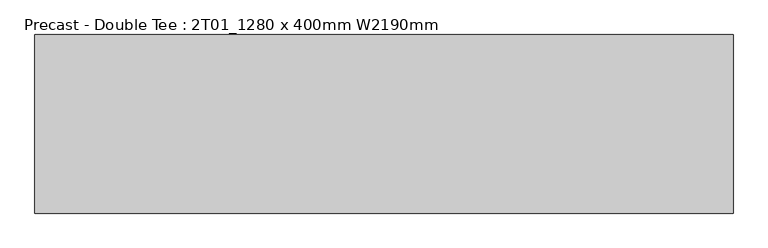
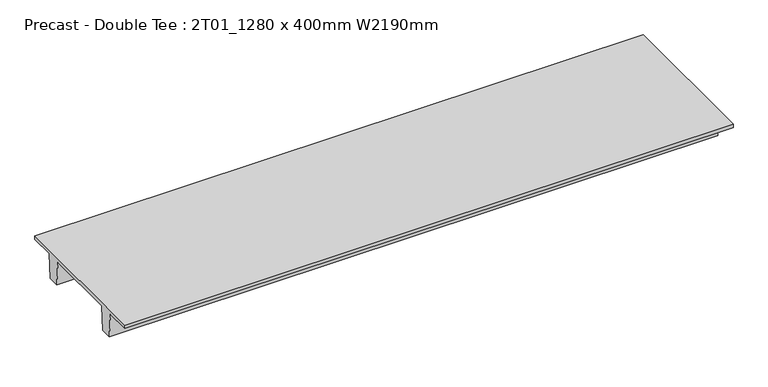
"""IFC4 building model written with IfcOpenShell, lengths in millimetres: beam geometry, Precast - Double Tee : 2T01_1280 x 400mm W2190mm."""

import ifcopenshell
import ifcopenshell.guid

model = None  # the IFC model being written
_history = None  # IfcOwnerHistory: only IFC2X3 demands one
_inside = {}  # id of a spatial element -> (the spatial element, [elements in it])
_under = {}  # id of a project, library or spatial element -> (it, [spatial elements below it])
_declared = {}  # id of a project -> (the project, [libraries it declares])
_typed = {}  # id of a type object -> (the type object, [elements of that type])
_made_of = {}  # id of a material, layer set ... -> (it, [elements and type objects made of it])


def new_model(schema):
    """Start an empty IFC model of exactly this schema.

    Asked for "IFC4X3", IfcOpenShell would pick the latest addendum, in which some entities
    have other attributes; the version numbers below select the first issue.
    IFC2X3 requires an IfcOwnerHistory on every rooted entity: one is made here for all.
    """
    global model, _history
    if schema == "IFC4X3":
        model = ifcopenshell.file(schema_version=(4, 3, 0, 0))
    else:
        model = ifcopenshell.file(schema=schema)
    _inside.clear()
    _under.clear()
    _declared.clear()
    _typed.clear()
    _made_of.clear()
    _history = None
    if model.schema == "IFC2X3":
        org = make("IfcOrganization", Name="unknown")
        user = make(
            "IfcPersonAndOrganization",
            ThePerson=make("IfcPerson", FamilyName="unknown"),
            TheOrganization=org,
        )
        app = make(
            "IfcApplication",
            ApplicationDeveloper=org,
            Version="unknown",
            ApplicationFullName="unknown",
            ApplicationIdentifier="unknown",
        )
        _history = make(
            "IfcOwnerHistory",
            OwningUser=user,
            OwningApplication=app,
            ChangeAction="ADDED",
            CreationDate=0,
        )
    return model


def make(cls, **values):
    """One entity of the class cls with the attributes given. An attribute that is None is left unset."""
    return model.create_entity(
        cls, **{name: value for name, value in values.items() if value is not None}
    )


def rooted(cls, **values):
    """An entity with a GlobalId (a new one), such as an element, a storey or a relation."""
    return make(cls, GlobalId=ifcopenshell.guid.new(), OwnerHistory=_history, **values)


def si_unit(unit_type, name, prefix=None):
    """IfcSIUnit, for example si_unit("LENGTHUNIT", "METRE", prefix="MILLI")."""
    return make("IfcSIUnit", UnitType=unit_type, Prefix=prefix, Name=name)


def assignment(units):
    """IfcUnitAssignment: the units of a project."""
    return None if units is None else make("IfcUnitAssignment", Units=units)


def point(xyz):
    """IfcCartesianPoint."""
    return None if xyz is None else make("IfcCartesianPoint", Coordinates=xyz)


def direction(xyz):
    """IfcDirection."""
    return None if xyz is None else make("IfcDirection", DirectionRatios=xyz)


def frame(location, z_axis=None, x_axis=None):
    """IfcAxis2Placement3D, a coordinate frame: its origin and axes. An axis left out is left unset."""
    return make(
        "IfcAxis2Placement3D",
        Location=point(location),
        Axis=direction(z_axis),
        RefDirection=direction(x_axis),
    )


def origin():
    """The frame at (0, 0, 0) with its axes left unset."""
    return frame((0.0, 0.0, 0.0))


def place(relative_to, where):
    """IfcLocalPlacement: puts the frame where relative to a parent placement (None: the world)."""
    return make(
        "IfcLocalPlacement", PlacementRelTo=relative_to, RelativePlacement=where
    )


def context(
    kind, dimensions, precision=None, world=None, true_north=None, identifier=None
):
    """IfcGeometricRepresentationContext, for example the 3D "Model" context."""
    return make(
        "IfcGeometricRepresentationContext",
        ContextIdentifier=identifier,
        ContextType=kind,
        CoordinateSpaceDimension=dimensions,
        Precision=precision,
        WorldCoordinateSystem=world,
        TrueNorth=true_north,
    )


def project(units=None, contexts=None):
    """IfcProject with its units and contexts."""
    return rooted(
        "IfcProject",
        Name="project",
        RepresentationContexts=contexts,
        UnitsInContext=assignment(units),
    )


def spatial(cls, under=None, at=None, **own):
    """A site, building, storey or space (cls), placed at a placement, below another one or the project."""
    s = rooted(cls, ObjectPlacement=at, **own)
    if under is not None:
        _under.setdefault(under.id(), (under, []))[1].append(s)
    return s


def polyline(points):
    """IfcPolyline through the points."""
    return make("IfcPolyline", Points=[point(p) for p in points])


def outline(outer, holes=None, kind="AREA"):
    """IfcArbitraryClosedProfileDef: a profile drawn as a closed curve; with holes, ...WithVoids."""
    if holes is None:
        return make("IfcArbitraryClosedProfileDef", ProfileType=kind, OuterCurve=outer)
    return make(
        "IfcArbitraryProfileDefWithVoids",
        ProfileType=kind,
        OuterCurve=outer,
        InnerCurves=holes,
    )


def extrude(swept, where, along, depth):
    """IfcExtrudedAreaSolid: the profile swept, set in the frame where, extruded along a direction by depth."""
    return make(
        "IfcExtrudedAreaSolid",
        SweptArea=swept,
        Position=where,
        ExtrudedDirection=direction(along),
        Depth=depth,
    )


def shape(context_of_items, identifier, shape_type, items):
    """IfcShapeRepresentation: the items that make up one representation, for example the "Body"."""
    return make(
        "IfcShapeRepresentation",
        ContextOfItems=context_of_items,
        RepresentationIdentifier=identifier,
        RepresentationType=shape_type,
        Items=items,
    )


def source(mapping_origin, context_of_items, identifier, shape_type, items):
    """IfcRepresentationMap: a shape defined once, which mapped items show again and again."""
    return make(
        "IfcRepresentationMap",
        MappingOrigin=mapping_origin,
        MappedRepresentation=shape(context_of_items, identifier, shape_type, items),
    )


def transform(
    local_origin,
    x_axis=None,
    y_axis=None,
    z_axis=None,
    scale=None,
    scale2=None,
    scale3=None,
    uniform=True,
):
    """IfcCartesianTransformationOperator3D, or its non-uniform kind. x_axis, y_axis, z_axis: its Axis1, 2, 3."""
    if uniform:
        return make(
            "IfcCartesianTransformationOperator3D",
            Axis1=direction(x_axis),
            Axis2=direction(y_axis),
            LocalOrigin=point(local_origin),
            Scale=scale,
            Axis3=direction(z_axis),
        )
    return make(
        "IfcCartesianTransformationOperator3DnonUniform",
        Axis1=direction(x_axis),
        Axis2=direction(y_axis),
        LocalOrigin=point(local_origin),
        Scale=scale,
        Axis3=direction(z_axis),
        Scale2=scale2,
        Scale3=scale3,
    )


def mapped(mapping_source, mapping_target):
    """IfcMappedItem: shows the shape of a source again, moved by a transform."""
    return make(
        "IfcMappedItem", MappingSource=mapping_source, MappingTarget=mapping_target
    )


def made_of(thing, what):
    """Note that an element or type object is made of a material, layer set ...; save() writes the relation."""
    if what is not None:
        _made_of.setdefault(what.id(), (what, []))[1].append(thing)
    return thing


def element(
    cls,
    number,
    at=None,
    inside=None,
    cuts=None,
    type_object=None,
    material=None,
    context=None,
    identifier="Body",
    shape_type=None,
    held_by="IfcProductDefinitionShape",
    body=None,
    shapes=None,
    **own,
):
    """One element of the class cls, such as IfcWall. Its Tag is "e" and its number.

    at: its placement. inside: the storey or other place that contains it. cuts: it is an
    opening in that element (IfcRelVoidsElement). A single representation is given by context,
    identifier, shape_type and body (its items); several are given by shapes. held_by: the class
    of the entity that holds the representations. save() writes the other relations.
    """
    e = rooted(cls, Tag="e%d" % number, ObjectPlacement=at, **own)
    if body is not None:
        shapes = [shape(context, identifier, shape_type, body)]
    if shapes is not None:
        e.Representation = make(held_by, Representations=shapes)
    if inside is not None:
        _inside.setdefault(inside.id(), (inside, []))[1].append(e)
    if cuts is not None:
        rooted(
            "IfcRelVoidsElement", RelatingBuildingElement=cuts, RelatedOpeningElement=e
        )
    if type_object is not None:
        _typed.setdefault(type_object.id(), (type_object, []))[1].append(e)
    return made_of(e, material)


def aggregate(whole, parts):
    """IfcRelAggregates: a whole, such as a stair, and the parts it consists of."""
    return rooted("IfcRelAggregates", RelatingObject=whole, RelatedObjects=parts)


def save(model, path):
    """Write the relations noted so far, then the file.

    IfcRelAggregates (storeys below a building ...), IfcRelContainedInSpatialStructure (elements
    in a storey), IfcRelDefinesByType, IfcRelAssociatesMaterial and IfcRelDeclares: one each for
    every whole, place, type object, material and project.
    """
    for whole, parts in _under.values():
        aggregate(whole, parts)
    for where, things in _inside.values():
        rooted(
            "IfcRelContainedInSpatialStructure",
            RelatedElements=things,
            RelatingStructure=where,
        )
    for kind, things in _typed.values():
        rooted("IfcRelDefinesByType", RelatedObjects=things, RelatingType=kind)
    for what, things in _made_of.values():
        rooted("IfcRelAssociatesMaterial", RelatedObjects=things, RelatingMaterial=what)
    for by, libraries in _declared.values():
        rooted("IfcRelDeclares", RelatingContext=by, RelatedDefinitions=libraries)
    model.write(path)


def precast_double_tee_2t01_1280_x_400mm_w2190mm_a1604d25(model_context):
    return source(origin(), model_context, "Body", "SweptSolid", [
        extrude(outline(polyline([(1095.0, 200.0), (1095.0, 150.0), (745.4, 150.0), (720.0, -200.0), (560.0, -200.0), (534.6, 150.0), (-534.6, 150.0), (-560.0, -200.0), (-720.0, -200.0), (-745.4, 150.0), (-1095.0, 150.0), (-1095.0, 200.0), (1095.0, 200.0)])), frame((-4280.0, 0.0, 0.0), z_axis=(1.0, 0.0, 0.0), x_axis=(0.0, 1.0, 0.0)), (0.0, 0.0, 1.0), 8560.0),
    ])


if __name__ == "__main__":
    model = new_model("IFC4")
    model_context = context("Model", 3, world=origin())
    ifc_project = project(units=[si_unit("LENGTHUNIT", "METRE", prefix="MILLI")], contexts=[model_context])
    site = spatial("IfcSite", under=ifc_project)
    building = spatial("IfcBuilding", under=site)
    placement = place(None, origin())
    precast_double_tee_2t01_1280_x_400mm_w2190mm_shape = precast_double_tee_2t01_1280_x_400mm_w2190mm_a1604d25(model_context)
    element("IfcBeam", 1, ObjectType="Precast - Double Tee : 2T01_1280 x 400mm W2190mm", at=placement, inside=building, context=model_context, shape_type="MappedRepresentation", body=[
        mapped(precast_double_tee_2t01_1280_x_400mm_w2190mm_shape, transform((0.0, 0.0, 0.0), x_axis=(1.0, 0.0, 0.0), y_axis=(0.0, 1.0, 0.0), z_axis=(0.0, 0.0, 1.0))),
    ])
    save(model, "model.ifc")
